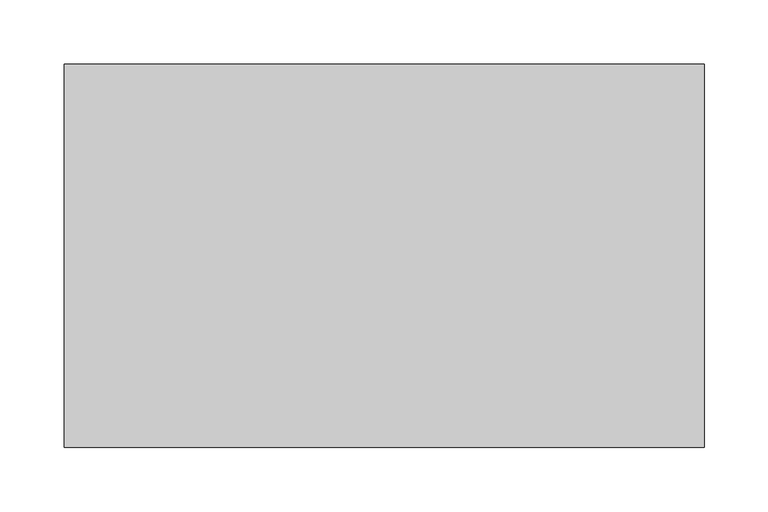
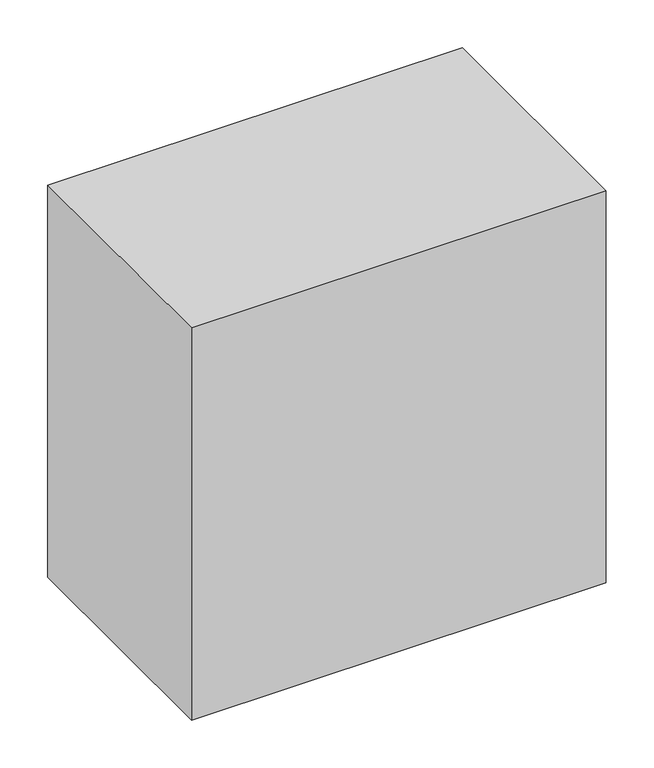
"""IFC4 building model written with IfcOpenShell, lengths in millimetres: proxy geometry."""

from ifc_helpers import new_model, si_unit, origin, origin_with_axes, place, context, project, spatial, polyline, outline, extrude, source, transform, mapped, element, save


def generic_models_b098a3de(model_context):
    return source(origin(), model_context, "Body", "SweptSolid", [
        extrude(outline(polyline([(500.0, 300.0), (500.0, 0.0), (0.0, 0.0), (0.0, 300.0), (500.0, 300.0)])), origin_with_axes(), (0.0, 0.0, 1.0), 500.0),
    ])


if __name__ == "__main__":
    model = new_model("IFC4")
    model_context = context("Model", 3, world=origin())
    ifc_project = project(units=[si_unit("LENGTHUNIT", "METRE", prefix="MILLI")], contexts=[model_context])
    site = spatial("IfcSite", under=ifc_project)
    building = spatial("IfcBuilding", under=site)
    placement = place(None, origin())
    generic_models_shape = generic_models_b098a3de(model_context)
    element("IfcBuildingElementProxy", 1, Name="Generic Models", at=placement, inside=building, context=model_context, shape_type="MappedRepresentation", body=[
        mapped(generic_models_shape, transform((0.0, 0.0, 0.0), x_axis=(1.0, 0.0, 0.0), y_axis=(0.0, 1.0, 0.0), z_axis=(0.0, 0.0, 1.0))),
    ])
    save(model, "model.ifc")
